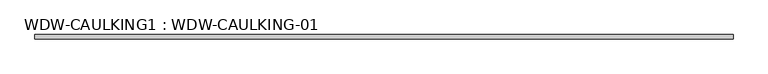
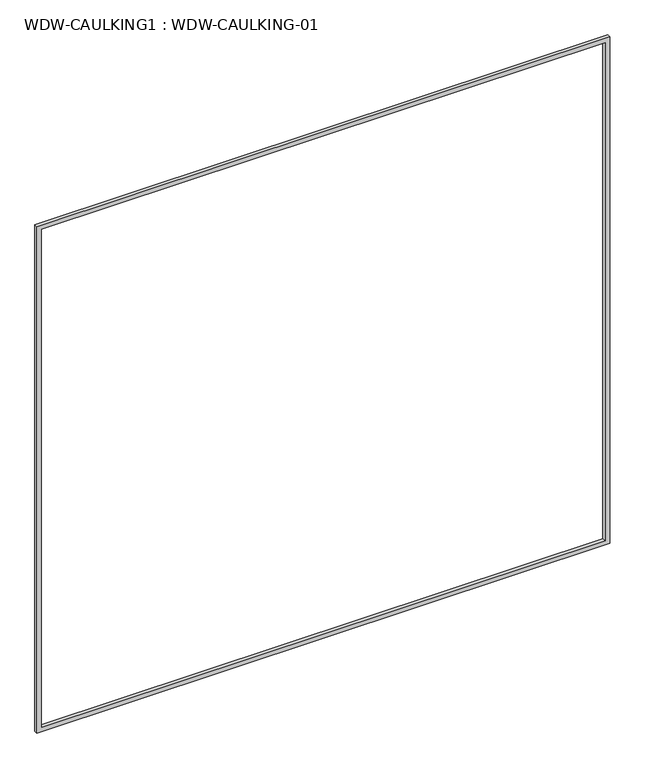
"""IFC4 building model written with IfcOpenShell, lengths in millimetres: proxy geometry, WDW-CAULKING1 : WDW-CAULKING-01."""

from ifc_helpers import new_model, si_unit, frame, origin, place, context, project, spatial, polyline, outline, extrude, source, transform, mapped, element, save


def wdw_caulking1_wdw_caulking_01_42211e0f(model_context):
    return source(origin(), model_context, "Body", "SweptSolid", [
        extrude(outline(polyline([(8800.0, -12574.1749894), (6500.0, -12574.1749894), (6500.0, -10114.1749894), (8800.0, -10114.1749894), (8800.0, -12574.1749894)]), holes=[polyline([(6520.0, -10134.1749894), (6520.0, -12554.1749894), (8780.0, -12554.1749894), (8780.0, -10134.1749894), (6520.0, -10134.1749894)])]), frame((0.0, -648.0, 0.0), z_axis=(0.0, 1.0, 0.0), x_axis=(0.0, 0.0, 1.0)), (0.0, 0.0, 1.0), 15.0),
    ])


if __name__ == "__main__":
    model = new_model("IFC4")
    model_context = context("Model", 3, world=origin())
    ifc_project = project(units=[si_unit("LENGTHUNIT", "METRE", prefix="MILLI")], contexts=[model_context])
    site = spatial("IfcSite", under=ifc_project)
    building = spatial("IfcBuilding", under=site)
    placement = place(None, origin())
    wdw_caulking1_wdw_caulking_01_shape = wdw_caulking1_wdw_caulking_01_42211e0f(model_context)
    element("IfcBuildingElementProxy", 1, Name="WDW-CAULKING1 : WDW-CAULKING-01", ObjectType="WDW-CAULKING1 : WDW-CAULKING-01", at=placement, inside=building, context=model_context, shape_type="MappedRepresentation", body=[
        mapped(wdw_caulking1_wdw_caulking_01_shape, transform((0.0, 0.0, 0.0), x_axis=(1.0, 0.0, 0.0), y_axis=(0.0, 1.0, 0.0), z_axis=(0.0, 0.0, 1.0))),
    ])
    save(model, "model.ifc")
